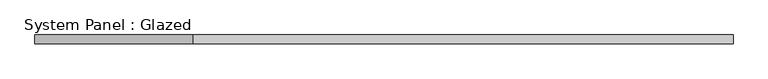
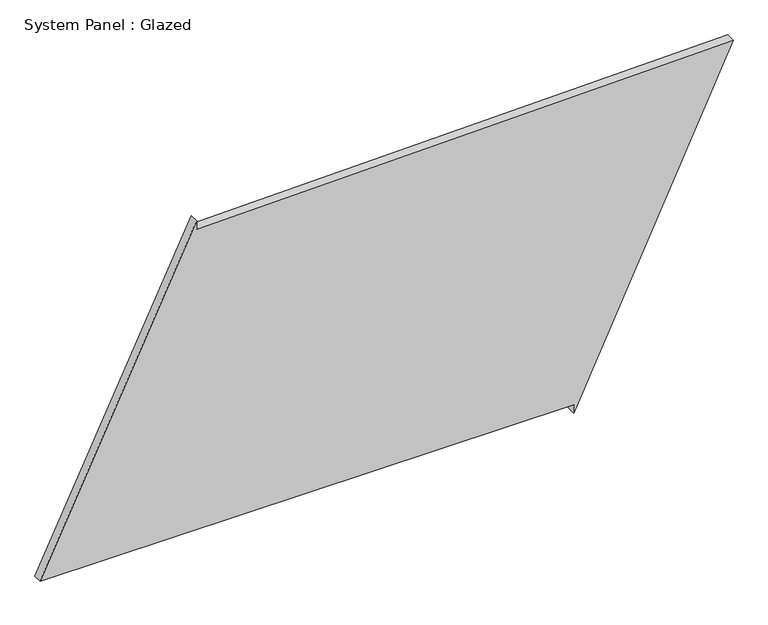
"""IFC4 building model written with IfcOpenShell, lengths in millimetres: plate geometry, System Panel : Glazed."""

from ifc_helpers import new_model, si_unit, frame, origin, place, context, project, spatial, polyline, outline, extrude, source, transform, mapped, element, save


def system_panel_glazed_27429773(model_context):
    return source(origin(), model_context, "Body", "SweptSolid", [
        extrude(outline(polyline([(25.0, 525.1766212), (0.0, 525.1766212), (950.5107358, 973.0596844), (916.5109733, -533.1376997), (941.5046064, -533.7018871), (25.0, -973.0596844), (25.0, 525.1766212)])), frame((0.0, -49.5, 0.0), z_axis=(0.0, 1.0, 0.0), x_axis=(0.0, 0.0, 1.0)), (0.0, 0.0, 1.0), 25.0),
    ])


if __name__ == "__main__":
    model = new_model("IFC4")
    model_context = context("Model", 3, world=origin())
    ifc_project = project(units=[si_unit("LENGTHUNIT", "METRE", prefix="MILLI")], contexts=[model_context])
    site = spatial("IfcSite", under=ifc_project)
    building = spatial("IfcBuilding", under=site)
    placement = place(None, origin())
    system_panel_glazed_shape = system_panel_glazed_27429773(model_context)
    element("IfcPlate", 1, ObjectType="System Panel : Glazed", at=placement, inside=building, context=model_context, shape_type="MappedRepresentation", body=[
        mapped(system_panel_glazed_shape, transform((0.0, 0.0, 0.0), x_axis=(1.0, 0.0, 0.0), y_axis=(0.0, 1.0, 0.0), z_axis=(0.0, 0.0, 1.0))),
    ])
    save(model, "model.ifc")
